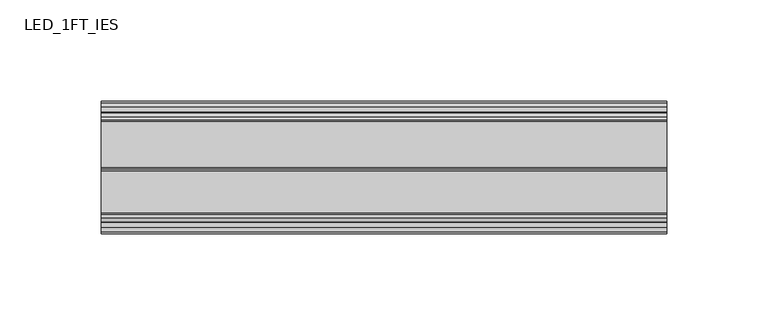
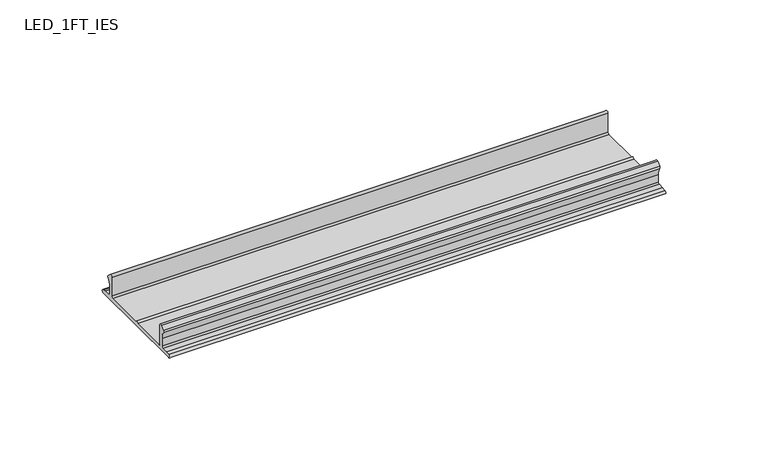
"""IFC4 building model written with IfcOpenShell, lengths in millimetres: light fixture geometry, LED_1FT_IES."""

from ifc_helpers import new_model, si_unit, point, frame, frame_2d, origin, place, context, project, spatial, polyline, circle_curve, trimmed, segment, composite_curve, outline, extrude, source, transform, mapped, element, save


def led_1ft_ies_3e95191a(model_context):
    return source(origin(), model_context, "Body", "SweptSolid", [
        extrude(outline(composite_curve([segment(trimmed(circle_curve(frame_2d((-230.8853532, 2407.5592165)), 0.9079798), [point((-230.8853532, 2406.6512367))], [point((-230.8853532, 2408.4671963))], False, "CARTESIAN"), True, "CONTINUOUS"), segment(polyline([(-230.8853532, 2408.4671963), (-228.706314, 2408.7672338), (-225.4096689, 2408.7672338)]), True, "CONTINUOUS"), segment(trimmed(circle_curve(frame_2d((-225.4096689, 2409.6673463)), 0.9001125), [point((-225.4096689, 2408.7672338))], [point((-224.5095564, 2409.6673463))], True, "CARTESIAN"), True, "CONTINUOUS"), segment(polyline([(-224.5095564, 2409.6673463), (-224.5095564, 2414.1181525)]), True, "CONTINUOUS"), segment(trimmed(circle_curve(frame_2d((-232.0104939, 2414.1181525)), 7.5009375), [point((-224.5095564, 2414.1181525))], [point((-225.9829548, 2418.582773))], True, "CARTESIAN"), True, "CONTINUOUS"), segment(trimmed(circle_curve(frame_2d((-225.2596501, 2419.1185275)), 0.9001125), [point((-225.9829548, 2418.582773))], [point((-225.8701785, 2419.7799333))], False, "CARTESIAN"), True, "CONTINUOUS"), segment(polyline([(-225.8701785, 2419.7799333), (-223.9199347, 2421.5801583)]), True, "CONTINUOUS"), segment(trimmed(circle_curve(frame_2d((-223.3094064, 2420.9187525)), 0.9001125), [point((-223.9199347, 2421.5801583))], [point((-222.4092939, 2420.9187525))], False, "CARTESIAN"), True, "CONTINUOUS"), segment(polyline([(-222.4092939, 2420.9187525), (-222.4092939, 2409.6673463)]), True, "CONTINUOUS"), segment(trimmed(circle_curve(frame_2d((-221.5091814, 2409.6673463)), 0.9001125), [point((-222.4092939, 2409.6673463))], [point((-221.5091814, 2408.7672338))], True, "CARTESIAN"), True, "CONTINUOUS"), segment(polyline([(-221.5091814, 2408.7672338), (-200.6807845, 2408.7672338), (-199.780672, 2409.6673463), (-198.8805595, 2408.7672338), (-176.3227827, 2408.7672338)]), True, "CONTINUOUS"), segment(trimmed(circle_curve(frame_2d((-176.3227827, 2409.6673463)), 0.9001125), [point((-176.3227827, 2408.7672338))], [point((-175.4226702, 2409.6673463))], True, "CARTESIAN"), True, "CONTINUOUS"), segment(polyline([(-175.4226702, 2409.6673463), (-175.4226702, 2420.9187525)]), True, "CONTINUOUS"), segment(trimmed(circle_curve(frame_2d((-174.5225577, 2420.9187525)), 0.9001125), [point((-175.4226702, 2420.9187525))], [point((-173.9120354, 2421.5801639))], False, "CARTESIAN"), True, "CONTINUOUS"), segment(polyline([(-173.9120354, 2421.5801639), (-171.9617528, 2419.7799363)]), True, "CONTINUOUS"), segment(trimmed(circle_curve(frame_2d((-172.5722911, 2419.1185077)), 0.900136), [point((-171.9617528, 2419.7799363))], [point((-171.8489659, 2418.5827414))], False, "CARTESIAN"), True, "CONTINUOUS"), segment(trimmed(circle_curve(frame_2d((-165.82144, 2414.1181586)), 7.5009045), [point((-171.8489659, 2418.5827414))], [point((-173.3223445, 2414.1181586))], True, "CARTESIAN"), True, "CONTINUOUS"), segment(polyline([(-173.3223445, 2414.1181586), (-173.3223445, 2409.667486)]), True, "CONTINUOUS"), segment(trimmed(circle_curve(frame_2d((-172.4223673, 2409.667486)), 0.8999772), [point((-173.3223445, 2409.667486))], [point((-172.4223673, 2408.7675088))], True, "CARTESIAN"), True, "CONTINUOUS"), segment(polyline([(-172.4223673, 2408.7675088), (-169.0180106, 2408.7675088), (-167.1658278, 2408.4671963)]), True, "CONTINUOUS"), segment(trimmed(circle_curve(frame_2d((-167.1658278, 2407.5592165)), 0.9079798), [point((-167.1658278, 2408.4671963))], [point((-167.1658278, 2406.6512367))], False, "CARTESIAN"), True, "CONTINUOUS"), segment(polyline([(-167.1658278, 2406.6512367), (-230.8853532, 2406.6512367)]), True, "CONTINUOUS")], self_intersect=False)), frame((165.0541772, 0.0, 0.0), z_axis=(1.0, 0.0, 0.0), x_axis=(0.0, 1.0, 0.0)), (0.0, 0.0, 1.0), 279.7048),
    ])


if __name__ == "__main__":
    model = new_model("IFC4")
    model_context = context("Model", 3, world=origin())
    ifc_project = project(units=[si_unit("LENGTHUNIT", "METRE", prefix="MILLI")], contexts=[model_context])
    site = spatial("IfcSite", under=ifc_project)
    building = spatial("IfcBuilding", under=site)
    placement = place(None, origin())
    led_1ft_ies_shape = led_1ft_ies_3e95191a(model_context)
    element("IfcLightFixture", 1, ObjectType="LED_1FT_IES", at=placement, inside=building, context=model_context, shape_type="MappedRepresentation", body=[
        mapped(led_1ft_ies_shape, transform((0.0, 0.0, 0.0), x_axis=(1.0, 0.0, 0.0), y_axis=(0.0, 1.0, 0.0), z_axis=(0.0, 0.0, 1.0))),
    ])
    save(model, "model.ifc")
